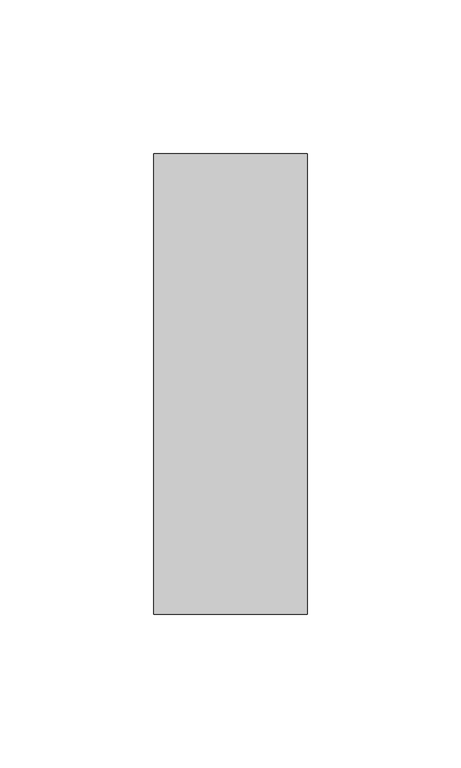
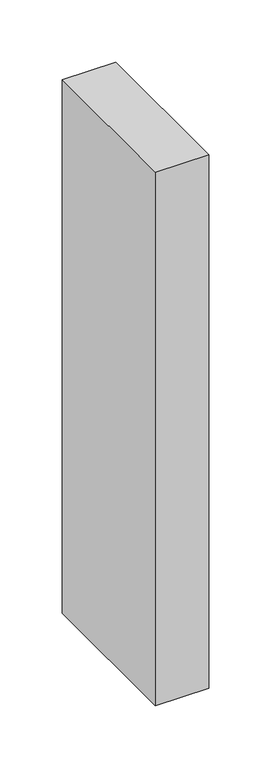
"""IFC4 building model written with IfcOpenShell, lengths in millimetres: member geometry."""

from ifc_helpers import new_model, si_unit, frame, origin, place, context, project, spatial, polyline, outline, extrude, source, transform, mapped, element, save


def member_8a69f4a4(model_context):
    return source(origin(), model_context, "Body", "SweptSolid", [
        extrude(outline(polyline([(25.0, 75.0), (25.0, -75.0), (-25.0, -75.0), (-25.0, 75.0), (25.0, 75.0)])), frame((0.0, 0.0, -525.0), z_axis=(0.0, 0.0, 1.0), x_axis=(1.0, 0.0, 0.0)), (0.0, 0.0, 1.0), 525.0),
    ])


if __name__ == "__main__":
    model = new_model("IFC4")
    model_context = context("Model", 3, world=origin())
    ifc_project = project(units=[si_unit("LENGTHUNIT", "METRE", prefix="MILLI")], contexts=[model_context])
    site = spatial("IfcSite", under=ifc_project)
    building = spatial("IfcBuilding", under=site)
    placement = place(None, origin())
    member_shape = member_8a69f4a4(model_context)
    element("IfcMember", 1, at=placement, inside=building, context=model_context, shape_type="MappedRepresentation", body=[
        mapped(member_shape, transform((0.0, 0.0, 0.0), x_axis=(1.0, 0.0, 0.0), y_axis=(0.0, 1.0, 0.0), z_axis=(0.0, 0.0, 1.0))),
    ])
    save(model, "model.ifc")
